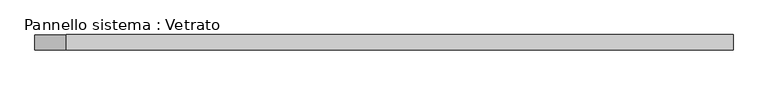
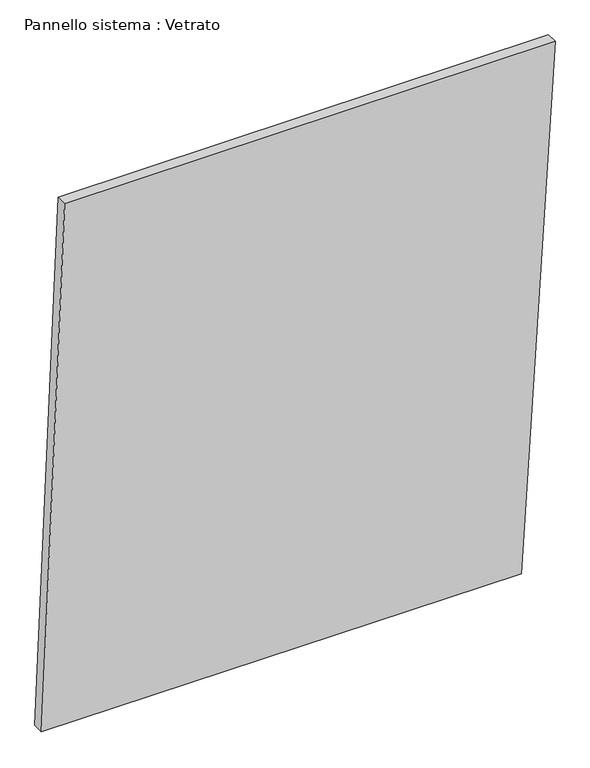
"""IFC4 building model written with IfcOpenShell, lengths in millimetres: plate geometry, Pannello sistema : Vetrato."""

import ifcopenshell
import ifcopenshell.guid

model = None  # the IFC model being written
_history = None  # IfcOwnerHistory: only IFC2X3 demands one
_inside = {}  # id of a spatial element -> (the spatial element, [elements in it])
_under = {}  # id of a project, library or spatial element -> (it, [spatial elements below it])
_declared = {}  # id of a project -> (the project, [libraries it declares])
_typed = {}  # id of a type object -> (the type object, [elements of that type])
_made_of = {}  # id of a material, layer set ... -> (it, [elements and type objects made of it])


def new_model(schema):
    """Start an empty IFC model of exactly this schema.

    Asked for "IFC4X3", IfcOpenShell would pick the latest addendum, in which some entities
    have other attributes; the version numbers below select the first issue.
    IFC2X3 requires an IfcOwnerHistory on every rooted entity: one is made here for all.
    """
    global model, _history
    if schema == "IFC4X3":
        model = ifcopenshell.file(schema_version=(4, 3, 0, 0))
    else:
        model = ifcopenshell.file(schema=schema)
    _inside.clear()
    _under.clear()
    _declared.clear()
    _typed.clear()
    _made_of.clear()
    _history = None
    if model.schema == "IFC2X3":
        org = make("IfcOrganization", Name="unknown")
        user = make(
            "IfcPersonAndOrganization",
            ThePerson=make("IfcPerson", FamilyName="unknown"),
            TheOrganization=org,
        )
        app = make(
            "IfcApplication",
            ApplicationDeveloper=org,
            Version="unknown",
            ApplicationFullName="unknown",
            ApplicationIdentifier="unknown",
        )
        _history = make(
            "IfcOwnerHistory",
            OwningUser=user,
            OwningApplication=app,
            ChangeAction="ADDED",
            CreationDate=0,
        )
    return model


def make(cls, **values):
    """One entity of the class cls with the attributes given. An attribute that is None is left unset."""
    return model.create_entity(
        cls, **{name: value for name, value in values.items() if value is not None}
    )


def rooted(cls, **values):
    """An entity with a GlobalId (a new one), such as an element, a storey or a relation."""
    return make(cls, GlobalId=ifcopenshell.guid.new(), OwnerHistory=_history, **values)


def si_unit(unit_type, name, prefix=None):
    """IfcSIUnit, for example si_unit("LENGTHUNIT", "METRE", prefix="MILLI")."""
    return make("IfcSIUnit", UnitType=unit_type, Prefix=prefix, Name=name)


def assignment(units):
    """IfcUnitAssignment: the units of a project."""
    return None if units is None else make("IfcUnitAssignment", Units=units)


def point(xyz):
    """IfcCartesianPoint."""
    return None if xyz is None else make("IfcCartesianPoint", Coordinates=xyz)


def direction(xyz):
    """IfcDirection."""
    return None if xyz is None else make("IfcDirection", DirectionRatios=xyz)


def frame(location, z_axis=None, x_axis=None):
    """IfcAxis2Placement3D, a coordinate frame: its origin and axes. An axis left out is left unset."""
    return make(
        "IfcAxis2Placement3D",
        Location=point(location),
        Axis=direction(z_axis),
        RefDirection=direction(x_axis),
    )


def origin():
    """The frame at (0, 0, 0) with its axes left unset."""
    return frame((0.0, 0.0, 0.0))


def place(relative_to, where):
    """IfcLocalPlacement: puts the frame where relative to a parent placement (None: the world)."""
    return make(
        "IfcLocalPlacement", PlacementRelTo=relative_to, RelativePlacement=where
    )


def context(
    kind, dimensions, precision=None, world=None, true_north=None, identifier=None
):
    """IfcGeometricRepresentationContext, for example the 3D "Model" context."""
    return make(
        "IfcGeometricRepresentationContext",
        ContextIdentifier=identifier,
        ContextType=kind,
        CoordinateSpaceDimension=dimensions,
        Precision=precision,
        WorldCoordinateSystem=world,
        TrueNorth=true_north,
    )


def project(units=None, contexts=None):
    """IfcProject with its units and contexts."""
    return rooted(
        "IfcProject",
        Name="project",
        RepresentationContexts=contexts,
        UnitsInContext=assignment(units),
    )


def spatial(cls, under=None, at=None, **own):
    """A site, building, storey or space (cls), placed at a placement, below another one or the project."""
    s = rooted(cls, ObjectPlacement=at, **own)
    if under is not None:
        _under.setdefault(under.id(), (under, []))[1].append(s)
    return s


def polyline(points):
    """IfcPolyline through the points."""
    return make("IfcPolyline", Points=[point(p) for p in points])


def outline(outer, holes=None, kind="AREA"):
    """IfcArbitraryClosedProfileDef: a profile drawn as a closed curve; with holes, ...WithVoids."""
    if holes is None:
        return make("IfcArbitraryClosedProfileDef", ProfileType=kind, OuterCurve=outer)
    return make(
        "IfcArbitraryProfileDefWithVoids",
        ProfileType=kind,
        OuterCurve=outer,
        InnerCurves=holes,
    )


def extrude(swept, where, along, depth):
    """IfcExtrudedAreaSolid: the profile swept, set in the frame where, extruded along a direction by depth."""
    return make(
        "IfcExtrudedAreaSolid",
        SweptArea=swept,
        Position=where,
        ExtrudedDirection=direction(along),
        Depth=depth,
    )


def shape(context_of_items, identifier, shape_type, items):
    """IfcShapeRepresentation: the items that make up one representation, for example the "Body"."""
    return make(
        "IfcShapeRepresentation",
        ContextOfItems=context_of_items,
        RepresentationIdentifier=identifier,
        RepresentationType=shape_type,
        Items=items,
    )


def source(mapping_origin, context_of_items, identifier, shape_type, items):
    """IfcRepresentationMap: a shape defined once, which mapped items show again and again."""
    return make(
        "IfcRepresentationMap",
        MappingOrigin=mapping_origin,
        MappedRepresentation=shape(context_of_items, identifier, shape_type, items),
    )


def transform(
    local_origin,
    x_axis=None,
    y_axis=None,
    z_axis=None,
    scale=None,
    scale2=None,
    scale3=None,
    uniform=True,
):
    """IfcCartesianTransformationOperator3D, or its non-uniform kind. x_axis, y_axis, z_axis: its Axis1, 2, 3."""
    if uniform:
        return make(
            "IfcCartesianTransformationOperator3D",
            Axis1=direction(x_axis),
            Axis2=direction(y_axis),
            LocalOrigin=point(local_origin),
            Scale=scale,
            Axis3=direction(z_axis),
        )
    return make(
        "IfcCartesianTransformationOperator3DnonUniform",
        Axis1=direction(x_axis),
        Axis2=direction(y_axis),
        LocalOrigin=point(local_origin),
        Scale=scale,
        Axis3=direction(z_axis),
        Scale2=scale2,
        Scale3=scale3,
    )


def mapped(mapping_source, mapping_target):
    """IfcMappedItem: shows the shape of a source again, moved by a transform."""
    return make(
        "IfcMappedItem", MappingSource=mapping_source, MappingTarget=mapping_target
    )


def made_of(thing, what):
    """Note that an element or type object is made of a material, layer set ...; save() writes the relation."""
    if what is not None:
        _made_of.setdefault(what.id(), (what, []))[1].append(thing)
    return thing


def element(
    cls,
    number,
    at=None,
    inside=None,
    cuts=None,
    type_object=None,
    material=None,
    context=None,
    identifier="Body",
    shape_type=None,
    held_by="IfcProductDefinitionShape",
    body=None,
    shapes=None,
    **own,
):
    """One element of the class cls, such as IfcWall. Its Tag is "e" and its number.

    at: its placement. inside: the storey or other place that contains it. cuts: it is an
    opening in that element (IfcRelVoidsElement). A single representation is given by context,
    identifier, shape_type and body (its items); several are given by shapes. held_by: the class
    of the entity that holds the representations. save() writes the other relations.
    """
    e = rooted(cls, Tag="e%d" % number, ObjectPlacement=at, **own)
    if body is not None:
        shapes = [shape(context, identifier, shape_type, body)]
    if shapes is not None:
        e.Representation = make(held_by, Representations=shapes)
    if inside is not None:
        _inside.setdefault(inside.id(), (inside, []))[1].append(e)
    if cuts is not None:
        rooted(
            "IfcRelVoidsElement", RelatingBuildingElement=cuts, RelatedOpeningElement=e
        )
    if type_object is not None:
        _typed.setdefault(type_object.id(), (type_object, []))[1].append(e)
    return made_of(e, material)


def aggregate(whole, parts):
    """IfcRelAggregates: a whole, such as a stair, and the parts it consists of."""
    return rooted("IfcRelAggregates", RelatingObject=whole, RelatedObjects=parts)


def save(model, path):
    """Write the relations noted so far, then the file.

    IfcRelAggregates (storeys below a building ...), IfcRelContainedInSpatialStructure (elements
    in a storey), IfcRelDefinesByType, IfcRelAssociatesMaterial and IfcRelDeclares: one each for
    every whole, place, type object, material and project.
    """
    for whole, parts in _under.values():
        aggregate(whole, parts)
    for where, things in _inside.values():
        rooted(
            "IfcRelContainedInSpatialStructure",
            RelatedElements=things,
            RelatingStructure=where,
        )
    for kind, things in _typed.values():
        rooted("IfcRelDefinesByType", RelatedObjects=things, RelatingType=kind)
    for what, things in _made_of.values():
        rooted("IfcRelAssociatesMaterial", RelatedObjects=things, RelatingMaterial=what)
    for by, libraries in _declared.values():
        rooted("IfcRelDeclares", RelatingContext=by, RelatedDefinitions=libraries)
    model.write(path)


def pannello_sistema_vetrato_ea2d4401(model_context):
    return source(origin(), model_context, "Body", "SweptSolid", [
        extrude(outline(polyline([(3.6154243, -679.5993318), (0.0, 590.9139094), (1457.5451042, 679.5993318), (1457.5451042, -618.4065257), (3.6154243, -679.5993318)])), frame((0.0, -15.0, 0.0), z_axis=(0.0, 1.0, 0.0), x_axis=(0.0, 0.0, 1.0)), (0.0, 0.0, 1.0), 30.0),
    ])


if __name__ == "__main__":
    model = new_model("IFC4")
    model_context = context("Model", 3, world=origin())
    ifc_project = project(units=[si_unit("LENGTHUNIT", "METRE", prefix="MILLI")], contexts=[model_context])
    site = spatial("IfcSite", under=ifc_project)
    building = spatial("IfcBuilding", under=site)
    placement = place(None, origin())
    pannello_sistema_vetrato_shape = pannello_sistema_vetrato_ea2d4401(model_context)
    element("IfcPlate", 1, ObjectType="Pannello sistema : Vetrato", at=placement, inside=building, context=model_context, shape_type="MappedRepresentation", body=[
        mapped(pannello_sistema_vetrato_shape, transform((0.0, 0.0, 0.0), x_axis=(1.0, 0.0, 0.0), y_axis=(0.0, 1.0, 0.0), z_axis=(0.0, 0.0, 1.0))),
    ])
    save(model, "model.ifc")
